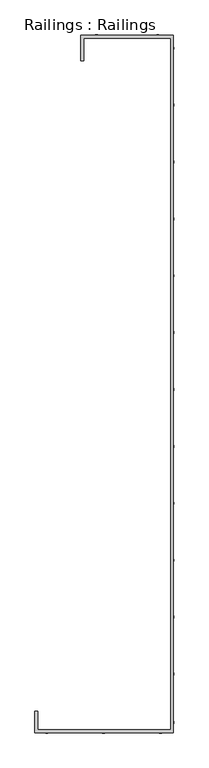
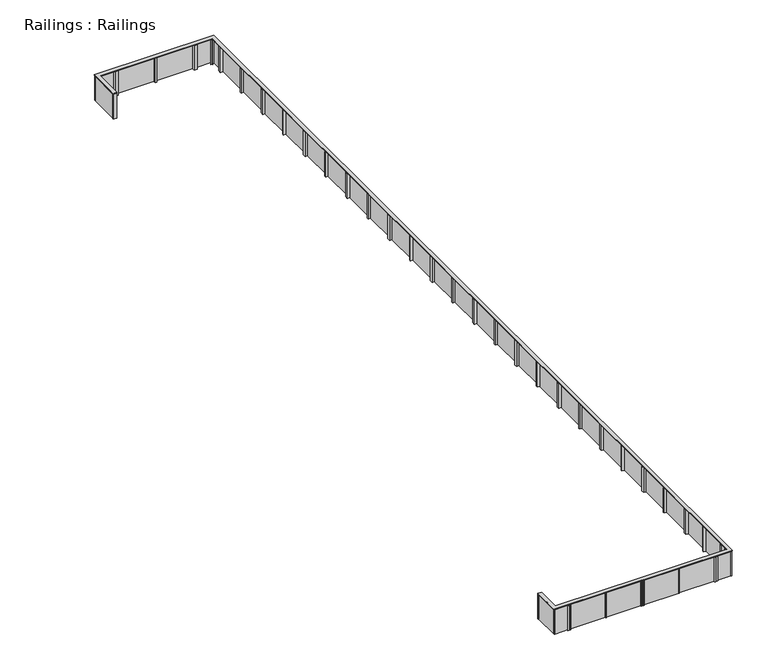
"""IFC4 building model written with IfcOpenShell, lengths in millimetres: railing geometry, Railings : Railings."""

from ifc_helpers import new_model, si_unit, origin, origin_with_axes, place, context, project, spatial, polyline, outline, extrude, faceted_brep, source, transform, mapped, element, save


def railings_railings_e3a58742(model_context):
    return source(origin(), model_context, "Body", "SolidModel", [
        faceted_brep([(13370.5600057, 1506.6975778, 1123.95), (13370.5600057, 1506.6975778, 1101.8081752), (13357.8600057, 1506.6975778, 1101.8081752), (13357.8600057, 1506.6975778, 1079.5), (13230.8600057, 1506.6975778, 1079.5), (13230.8600057, 1506.6975778, 1101.8081752), (13218.1600057, 1506.6975778, 1101.8081752), (13218.1600057, 1506.6975778, 1123.95), (13370.5600057, 509.7475795, 1123.95), (13370.5600057, 509.7475795, 1101.8081752), (20488.9100057, 509.7475795, 1101.8081752), (20488.9100057, 37574.6975795, 1101.8081752), (15827.3748271, 37574.6975795, 1101.8081752), (15827.3748271, 36361.8475795, 1101.8081752), (15814.6748271, 36361.8475795, 1101.8081752), (15814.6748271, 37587.3975795, 1101.8081752), (20501.6100057, 37587.3975795, 1101.8081752), (20501.6100057, 497.0475795, 1101.8081752), (13357.8600057, 497.0475795, 1101.8081752), (13357.8600057, 497.0475795, 1079.5), (20501.6100057, 497.0475795, 1079.5), (20501.6100057, 37587.3975795, 1079.5), (15814.6748271, 37587.3975795, 1079.5), (15814.6748271, 36361.8475795, 1079.5), (15687.6748271, 36361.8475795, 1079.5), (15687.6748271, 37714.3975795, 1079.5), (20628.6100057, 37714.3975795, 1079.5), (20628.6100057, 370.0475795, 1079.5), (13230.8600057, 370.0475795, 1079.5), (13230.8600057, 370.0475795, 1101.8081752), (20628.6100057, 370.0475795, 1101.8081752), (20628.6100057, 37714.3975795, 1101.8081752), (15687.6748271, 37714.3975795, 1101.8081752), (15687.6748271, 36361.8475795, 1101.8081752), (15674.9748271, 36361.8475795, 1101.8081752), (15674.9748271, 37727.0975795, 1101.8081752), (20641.3100057, 37727.0975795, 1101.8081752), (20641.3100057, 357.3475795, 1101.8081752), (13218.1600057, 357.3475795, 1101.8081752), (13218.1600057, 357.3475795, 1123.95), (20641.3100057, 357.3475795, 1123.95), (20641.3100057, 37727.0975795, 1123.95), (15674.9748271, 37727.0975795, 1123.95), (15674.9748271, 36361.8475795, 1123.95), (15827.3748271, 36361.8475795, 1123.95), (15827.3748271, 37574.6975795, 1123.95), (20488.9100057, 37574.6975795, 1123.95), (20488.9100057, 509.7475795, 1123.95)], [[[0, 1, 2, 3, 4, 5, 6, 7]], [[1, 0, 8, 9]], [[2, 1, 9, 10, 11, 12, 13, 14, 15, 16, 17, 18]], [[3, 2, 18, 19]], [[4, 3, 19, 20, 21, 22, 23, 24, 25, 26, 27, 28]], [[5, 4, 28, 29]], [[6, 5, 29, 30, 31, 32, 33, 34, 35, 36, 37, 38]], [[7, 6, 38, 39]], [[0, 7, 39, 40, 41, 42, 43, 44, 45, 46, 47, 8]], [[9, 8, 47, 10]], [[19, 18, 17, 20]], [[29, 28, 27, 30]], [[39, 38, 37, 40]], [[10, 47, 46, 11]], [[20, 17, 16, 21]], [[30, 27, 26, 31]], [[40, 37, 36, 41]], [[11, 46, 45, 12]], [[21, 16, 15, 22]], [[31, 26, 25, 32]], [[41, 36, 35, 42]], [[44, 43, 34, 33, 24, 23, 14, 13]], [[12, 45, 44, 13]], [[22, 15, 14, 23]], [[32, 25, 24, 33]], [[42, 35, 34, 43]]]),
        extrude(outline(polyline([(13268.9600035, 408.1475912), (13846.9370034, 408.1475912), (13846.9370034, 382.7475912), (13268.9600035, 382.7475912), (13268.9600035, 408.1475912)])), origin_with_axes(), (0.0, 0.0, 1.0), 1079.5),
        extrude(outline(polyline([(13243.1439674, 415.9061709), (13243.1439674, 1484.6224621), (13268.5439674, 1484.6224621), (13268.5439674, 415.9061709), (13243.1439674, 415.9061709)])), origin_with_axes(), (0.0, 0.0, 1.0), 1079.5),
        extrude(outline(polyline([(15367.6350034, 408.1475912), (15367.6350034, 382.7185916), (13865.9870034, 382.7185916), (13865.9870034, 408.1475912), (15367.6350034, 408.1475912)])), origin_with_axes(), (0.0, 0.0, 1.0), 1079.5),
        extrude(outline(polyline([(16891.6350034, 408.1475912), (16891.6350034, 382.7185916), (15386.6757867, 382.7185916), (15386.6757867, 408.1475912), (16891.6350034, 408.1475912)])), origin_with_axes(), (0.0, 0.0, 1.0), 1079.5),
        extrude(outline(polyline([(18415.6350034, 408.1475912), (18415.6350034, 382.7185916), (16910.6757867, 382.7185916), (16910.6757867, 408.1475912), (18415.6350034, 408.1475912)])), origin_with_axes(), (0.0, 0.0, 1.0), 1079.5),
        extrude(outline(polyline([(19936.3237867, 408.1475912), (19936.3237867, 382.7185916), (18434.6757867, 382.7185916), (18434.6757867, 408.1475912), (19936.3237867, 408.1475912)])), origin_with_axes(), (0.0, 0.0, 1.0), 1079.5),
        extrude(outline(polyline([(20587.8006006, 408.1475791), (20587.8006006, 382.7185916), (19958.6850034, 382.7185916), (19958.6850034, 408.1475791), (20587.8006006, 408.1475791)])), origin_with_axes(), (0.0, 0.0, 1.0), 1079.5),
        extrude(outline(polyline([(20614.873546, 904.8749109), (20614.873546, 417.9822073), (20589.8766379, 417.9822073), (20589.8766379, 904.8749109), (20614.873546, 904.8749109)])), origin_with_axes(), (0.0, 0.0, 1.0), 1079.5),
        extrude(outline(polyline([(20589.9055782, 923.9249109), (20589.9055782, 2200.2749756), (20615.2766379, 2200.2749756), (20615.2766379, 923.9249109), (20589.9055782, 923.9249109)])), origin_with_axes(), (0.0, 0.0, 1.0), 1079.5),
        extrude(outline(polyline([(20615.2766379, 2219.3249756), (20589.9055782, 2219.3249756), (20589.9055782, 3495.6603269), (20615.2766379, 3495.6603269), (20615.2766379, 2219.3249756)])), origin_with_axes(), (0.0, 0.0, 1.0), 1079.5),
        extrude(outline(polyline([(20589.9055782, 3514.7103269), (20589.9055782, 5019.6603898), (20615.2766379, 5019.6603898), (20615.2766379, 3514.7103269), (20589.9055782, 3514.7103269)])), origin_with_axes(), (0.0, 0.0, 1.0), 1079.5),
        extrude(outline(polyline([(20615.2766379, 5038.7103898), (20589.9055782, 5038.7103898), (20589.9055782, 6543.6603269), (20615.2766379, 6543.6603269), (20615.2766379, 5038.7103898)])), origin_with_axes(), (0.0, 0.0, 1.0), 1079.5),
        extrude(outline(polyline([(20589.9055782, 6562.7103269), (20589.9055782, 8067.6603898), (20615.2766379, 8067.6603898), (20615.2766379, 6562.7103269), (20589.9055782, 6562.7103269)])), origin_with_axes(), (0.0, 0.0, 1.0), 1079.5),
        extrude(outline(polyline([(20615.2766379, 8086.7103898), (20589.9055782, 8086.7103898), (20589.9055782, 9591.6603269), (20615.2766379, 9591.6603269), (20615.2766379, 8086.7103898)])), origin_with_axes(), (0.0, 0.0, 1.0), 1079.5),
        extrude(outline(polyline([(20589.9055782, 9610.7103269), (20589.9055782, 11115.6603898), (20615.2766379, 11115.6603898), (20615.2766379, 9610.7103269), (20589.9055782, 9610.7103269)])), origin_with_axes(), (0.0, 0.0, 1.0), 1079.5),
        extrude(outline(polyline([(20615.2766379, 11134.7103898), (20589.9055782, 11134.7103898), (20589.9055782, 12639.6603269), (20615.2766379, 12639.6603269), (20615.2766379, 11134.7103898)])), origin_with_axes(), (0.0, 0.0, 1.0), 1079.5),
        extrude(outline(polyline([(20589.9055782, 12658.7103269), (20589.9055782, 14163.6603898), (20615.2766379, 14163.6603898), (20615.2766379, 12658.7103269), (20589.9055782, 12658.7103269)])), origin_with_axes(), (0.0, 0.0, 1.0), 1079.5),
        extrude(outline(polyline([(20615.2766379, 14182.7103898), (20589.9055782, 14182.7103898), (20589.9055782, 15687.6603269), (20615.2766379, 15687.6603269), (20615.2766379, 14182.7103898)])), origin_with_axes(), (0.0, 0.0, 1.0), 1079.5),
        extrude(outline(polyline([(20589.9055782, 15706.7103269), (20589.9055782, 17211.6603898), (20615.2766379, 17211.6603898), (20615.2766379, 15706.7103269), (20589.9055782, 15706.7103269)])), origin_with_axes(), (0.0, 0.0, 1.0), 1079.5),
        extrude(outline(polyline([(20615.2766379, 17230.7103898), (20589.9055782, 17230.7103898), (20589.9055782, 18735.6603269), (20615.2766379, 18735.6603269), (20615.2766379, 17230.7103898)])), origin_with_axes(), (0.0, 0.0, 1.0), 1079.5),
        extrude(outline(polyline([(20589.9055782, 18754.7103269), (20589.9055782, 20259.6603898), (20615.2766379, 20259.6603898), (20615.2766379, 18754.7103269), (20589.9055782, 18754.7103269)])), origin_with_axes(), (0.0, 0.0, 1.0), 1079.5),
        extrude(outline(polyline([(20615.2766379, 20278.7103898), (20589.9055782, 20278.7103898), (20589.9055782, 21783.6603269), (20615.2766379, 21783.6603269), (20615.2766379, 20278.7103898)])), origin_with_axes(), (0.0, 0.0, 1.0), 1079.5),
        extrude(outline(polyline([(20589.9055782, 21802.7103269), (20589.9055782, 23307.6603898), (20615.2766379, 23307.6603898), (20615.2766379, 21802.7103269), (20589.9055782, 21802.7103269)])), origin_with_axes(), (0.0, 0.0, 1.0), 1079.5),
        extrude(outline(polyline([(20615.2766379, 23326.7103898), (20589.9055782, 23326.7103898), (20589.9055782, 24831.6603269), (20615.2766379, 24831.6603269), (20615.2766379, 23326.7103898)])), origin_with_axes(), (0.0, 0.0, 1.0), 1079.5),
        extrude(outline(polyline([(20589.9055782, 24850.7103269), (20589.9055782, 26355.6603898), (20615.2766379, 26355.6603898), (20615.2766379, 24850.7103269), (20589.9055782, 24850.7103269)])), origin_with_axes(), (0.0, 0.0, 1.0), 1079.5),
        extrude(outline(polyline([(20615.2766379, 26374.7103898), (20589.9055782, 26374.7103898), (20589.9055782, 27879.6603269), (20615.2766379, 27879.6603269), (20615.2766379, 26374.7103898)])), origin_with_axes(), (0.0, 0.0, 1.0), 1079.5),
        extrude(outline(polyline([(20589.9055782, 27898.7103269), (20589.9055782, 29403.6603898), (20615.2766379, 29403.6603898), (20615.2766379, 27898.7103269), (20589.9055782, 27898.7103269)])), origin_with_axes(), (0.0, 0.0, 1.0), 1079.5),
        extrude(outline(polyline([(20615.2766379, 29422.7103898), (20589.9055782, 29422.7103898), (20589.9055782, 30927.6603269), (20615.2766379, 30927.6603269), (20615.2766379, 29422.7103898)])), origin_with_axes(), (0.0, 0.0, 1.0), 1079.5),
        extrude(outline(polyline([(20589.9055782, 30946.7103269), (20589.9055782, 32451.6603898), (20615.2766379, 32451.6603898), (20615.2766379, 30946.7103269), (20589.9055782, 30946.7103269)])), origin_with_axes(), (0.0, 0.0, 1.0), 1079.5),
        extrude(outline(polyline([(20615.2766379, 32470.7103898), (20589.9055782, 32470.7103898), (20589.9055782, 33975.6603257), (20615.2766379, 33975.6603257), (20615.2766379, 32470.7103898)])), origin_with_axes(), (0.0, 0.0, 1.0), 1079.5),
        extrude(outline(polyline([(20589.9055782, 33994.7103257), (20589.9055782, 35499.6603886), (20615.2766379, 35499.6603886), (20615.2766379, 33994.7103257), (20589.9055782, 33994.7103257)])), origin_with_axes(), (0.0, 0.0, 1.0), 1079.5),
        extrude(outline(polyline([(20615.2766379, 35518.7103886), (20589.9055782, 35518.7103886), (20589.9055782, 37023.6603257), (20615.2766379, 37023.6603257), (20615.2766379, 35518.7103886)])), origin_with_axes(), (0.0, 0.0, 1.0), 1079.5),
        extrude(outline(polyline([(20590.7062358, 37042.7103257), (20590.7062358, 37667.1356839), (20615.2766379, 37667.1356839), (20615.2766379, 37042.7103257), (20590.7062358, 37042.7103257)])), origin_with_axes(), (0.0, 0.0, 1.0), 1079.5),
        extrude(outline(polyline([(20590.7062358, 37700.3660966), (20590.7062358, 37675.7359389), (19809.4455502, 37675.7359389), (19809.4455502, 37700.3660966), (20590.7062358, 37700.3660966)])), origin_with_axes(), (0.0, 0.0, 1.0), 1079.5),
        extrude(outline(polyline([(18169.2405294, 37700.3660966), (19790.3955502, 37700.3660966), (19790.3955502, 37674.9950369), (18169.2405294, 37674.9950369), (18169.2405294, 37700.3660966)])), origin_with_axes(), (0.0, 0.0, 1.0), 1079.5),
        extrude(outline(polyline([(16529.0500562, 37674.9950369), (16529.0500562, 37700.3660966), (18150.1905294, 37700.3660966), (18150.1905294, 37674.9950369), (16529.0500562, 37674.9950369)])), origin_with_axes(), (0.0, 0.0, 1.0), 1079.5),
        extrude(outline(polyline([(15724.977162, 37700.3660966), (16510.0000562, 37700.3660966), (16510.0000562, 37678.2067438), (15724.977162, 37678.2067438), (15724.977162, 37700.3660966)])), origin_with_axes(), (0.0, 0.0, 1.0), 1079.5),
        extrude(outline(polyline([(15725.775, 37668.7752071), (15725.775, 36383.0781763), (15697.9042165, 36383.0781763), (15697.9042165, 37668.7752071), (15725.775, 37668.7752071)])), origin_with_axes(), (0.0, 0.0, 1.0), 1079.5),
        extrude(outline(polyline([(13370.5600057, 1443.1975778), (13268.9600063, 1443.1975778), (13268.9600063, 1484.4725769), (13218.1600059, 1484.4725769), (13218.1600059, 1506.6975778), (13370.5600057, 1506.6975778), (13370.5600057, 1443.1975778)])), origin_with_axes(), (0.0, 0.0, 1.0), 1079.5),
        extrude(outline(polyline([(13370.5600034, 509.7475795), (13424.4415401, 509.7475795), (13321.1685948, 406.4746341), (13268.9600035, 406.4746341), (13268.9600035, 371.4561709), (13241.887058, 371.4561709), (13241.887058, 415.9061709), (13267.287058, 415.9061709), (13267.287058, 460.3561709), (13370.5600034, 563.6291163), (13370.5600034, 509.7475795)])), origin_with_axes(), (0.0, 0.0, 1.0), 1079.5),
        extrude(outline(polyline([(13789.6600662, 338.2974734), (13789.6600662, 382.7475912), (13843.6350034, 382.7475912), (13843.6350034, 408.1475791), (13789.6600034, 408.1475791), (13789.6600034, 509.7475791), (13916.3568587, 509.7475791), (13916.3568587, 408.1475791), (13862.2485804, 408.1475791), (13862.2485804, 382.7475912), (13916.6600662, 382.7475912), (13916.6600662, 338.2974734), (13865.8600662, 338.2974734), (13865.8600662, 350.9974734), (13840.4600662, 350.9974734), (13840.4600662, 338.2974734), (13789.6600662, 338.2974734)])), origin_with_axes(), (0.0, 0.0, 1.0), 1079.5),
        extrude(outline(polyline([(15408.9100034, 509.7475791), (15408.9100034, 408.1185916), (15386.6850034, 408.1185916), (15386.6850034, 357.3185916), (15367.6350034, 357.3185916), (15367.6350034, 408.1185916), (15345.4100034, 408.1185916), (15345.4100034, 509.7475791), (15408.9100034, 509.7475791)])), origin_with_axes(), (0.0, 0.0, 1.0), 1079.5),
        extrude(outline(polyline([(16964.6600034, 509.7475791), (16964.6600034, 408.1475791), (16910.6850034, 408.1475791), (16910.6850034, 382.7475791), (16964.6600034, 382.7475791), (16964.6600034, 338.2974748), (16913.8600663, 338.2974748), (16913.8600663, 350.9974748), (16888.4600663, 350.9974748), (16888.4600663, 338.2974748), (16837.6600663, 338.2974748), (16837.6600663, 382.7475791), (16891.6350034, 382.7475791), (16891.6350034, 408.1475791), (16837.6600663, 408.1475791), (16837.6600663, 509.7475791), (16964.6600034, 509.7475791)])), origin_with_axes(), (0.0, 0.0, 1.0), 1079.5),
        extrude(outline(polyline([(18456.9100034, 509.7475791), (18456.9100034, 408.1185916), (18434.6850034, 408.1185916), (18434.6850034, 357.3185916), (18415.6350034, 357.3185916), (18415.6350034, 408.1185916), (18393.4100034, 408.1185916), (18393.4100034, 509.7475791), (18456.9100034, 509.7475791)])), origin_with_axes(), (0.0, 0.0, 1.0), 1079.5),
        extrude(outline(polyline([(20012.6600034, 509.7475791), (20012.6600034, 408.1475791), (19958.6850034, 408.1475791), (19958.6850034, 382.7475791), (20012.6600034, 382.7475791), (20012.6600034, 338.2974748), (19961.8600663, 338.2974748), (19961.8600663, 350.9974748), (19936.4600663, 350.9974748), (19936.4600663, 338.2974748), (19885.6600663, 338.2974748), (19885.6600663, 382.7475791), (19939.6350034, 382.7475791), (19939.6350034, 408.1475791), (19885.6600663, 408.1475791), (19885.6600663, 509.7475791), (20012.6600034, 509.7475791)])), origin_with_axes(), (0.0, 0.0, 1.0), 1079.5),
        extrude(outline(polyline([(20488.2765907, 2241.5499756), (20589.9055782, 2241.5499756), (20589.9055782, 2219.3249756), (20640.7055782, 2219.3249756), (20640.7055782, 2200.2749756), (20589.9055782, 2200.2749756), (20589.9055782, 2178.0499756), (20488.2765907, 2178.0499756), (20488.2765907, 2241.5499756)])), origin_with_axes(), (0.0, 0.0, 1.0), 1079.5),
        extrude(outline(polyline([(20488.2766379, 977.8999109), (20589.8766379, 977.8999109), (20589.8766379, 923.9249109), (20615.2766379, 923.9249109), (20615.2766379, 977.8999109), (20659.7267421, 977.8999109), (20659.7267421, 927.0999738), (20647.0267421, 927.0999738), (20647.0267421, 901.6999738), (20659.7267421, 901.6999738), (20659.7267421, 850.8999738), (20615.2766379, 850.8999738), (20615.2766379, 904.8749109), (20589.8766379, 904.8749109), (20589.8766379, 850.8999738), (20488.2766379, 850.8999738), (20488.2766379, 977.8999109)])), origin_with_axes(), (0.0, 0.0, 1.0), 1079.5),
        extrude(outline(polyline([(20486.2006006, 511.823616), (20486.2006006, 565.7051527), (20589.473546, 462.4322073), (20589.473546, 417.9822073), (20614.873546, 417.9822073), (20614.873546, 373.5322073), (20587.8006006, 373.5322073), (20587.8006006, 408.5506706), (20535.5920093, 408.5506706), (20432.3190639, 511.823616), (20486.2006006, 511.823616)])), origin_with_axes(), (0.0, 0.0, 1.0), 1079.5),
        extrude(outline(polyline([(20488.2765907, 5060.9353898), (20589.9055782, 5060.9353898), (20589.9055782, 5038.7103898), (20640.7055782, 5038.7103898), (20640.7055782, 5019.6603898), (20589.9055782, 5019.6603898), (20589.9055782, 4997.4353898), (20488.2765907, 4997.4353898), (20488.2765907, 5060.9353898)])), origin_with_axes(), (0.0, 0.0, 1.0), 1079.5),
        extrude(outline(polyline([(20488.2766379, 3568.6853269), (20589.8766379, 3568.6853269), (20589.8766379, 3514.7103269), (20615.2766379, 3514.7103269), (20615.2766379, 3568.6853269), (20659.7267421, 3568.6853269), (20659.7267421, 3517.8853898), (20647.0267421, 3517.8853898), (20647.0267421, 3492.4853898), (20659.7267421, 3492.4853898), (20659.7267421, 3441.6853898), (20615.2766379, 3441.6853898), (20615.2766379, 3495.6603269), (20589.8766379, 3495.6603269), (20589.8766379, 3441.6853898), (20488.2766379, 3441.6853898), (20488.2766379, 3568.6853269)])), origin_with_axes(), (0.0, 0.0, 1.0), 1079.5),
        extrude(outline(polyline([(20488.2765907, 8108.9353898), (20589.9055782, 8108.9353898), (20589.9055782, 8086.7103898), (20640.7055782, 8086.7103898), (20640.7055782, 8067.6603898), (20589.9055782, 8067.6603898), (20589.9055782, 8045.4353898), (20488.2765907, 8045.4353898), (20488.2765907, 8108.9353898)])), origin_with_axes(), (0.0, 0.0, 1.0), 1079.5),
        extrude(outline(polyline([(20488.2766379, 6616.6853269), (20589.8766379, 6616.6853269), (20589.8766379, 6562.7103269), (20615.2766379, 6562.7103269), (20615.2766379, 6616.6853269), (20659.7267421, 6616.6853269), (20659.7267421, 6565.8853898), (20647.0267421, 6565.8853898), (20647.0267421, 6540.4853898), (20659.7267421, 6540.4853898), (20659.7267421, 6489.6853898), (20615.2766379, 6489.6853898), (20615.2766379, 6543.6603269), (20589.8766379, 6543.6603269), (20589.8766379, 6489.6853898), (20488.2766379, 6489.6853898), (20488.2766379, 6616.6853269)])), origin_with_axes(), (0.0, 0.0, 1.0), 1079.5),
        extrude(outline(polyline([(20488.2765907, 11156.9353898), (20589.9055782, 11156.9353898), (20589.9055782, 11134.7103898), (20640.7055782, 11134.7103898), (20640.7055782, 11115.6603898), (20589.9055782, 11115.6603898), (20589.9055782, 11093.4353898), (20488.2765907, 11093.4353898), (20488.2765907, 11156.9353898)])), origin_with_axes(), (0.0, 0.0, 1.0), 1079.5),
        extrude(outline(polyline([(20488.2766379, 9664.6853269), (20589.8766379, 9664.6853269), (20589.8766379, 9610.7103269), (20615.2766379, 9610.7103269), (20615.2766379, 9664.6853269), (20659.7267421, 9664.6853269), (20659.7267421, 9613.8853898), (20647.0267421, 9613.8853898), (20647.0267421, 9588.4853898), (20659.7267421, 9588.4853898), (20659.7267421, 9537.6853898), (20615.2766379, 9537.6853898), (20615.2766379, 9591.6603269), (20589.8766379, 9591.6603269), (20589.8766379, 9537.6853898), (20488.2766379, 9537.6853898), (20488.2766379, 9664.6853269)])), origin_with_axes(), (0.0, 0.0, 1.0), 1079.5),
        extrude(outline(polyline([(20488.2765907, 14204.9353898), (20589.9055782, 14204.9353898), (20589.9055782, 14182.7103898), (20640.7055782, 14182.7103898), (20640.7055782, 14163.6603898), (20589.9055782, 14163.6603898), (20589.9055782, 14141.4353898), (20488.2765907, 14141.4353898), (20488.2765907, 14204.9353898)])), origin_with_axes(), (0.0, 0.0, 1.0), 1079.5),
        extrude(outline(polyline([(20488.2766379, 12712.6853269), (20589.8766379, 12712.6853269), (20589.8766379, 12658.7103269), (20615.2766379, 12658.7103269), (20615.2766379, 12712.6853269), (20659.7267421, 12712.6853269), (20659.7267421, 12661.8853898), (20647.0267421, 12661.8853898), (20647.0267421, 12636.4853898), (20659.7267421, 12636.4853898), (20659.7267421, 12585.6853898), (20615.2766379, 12585.6853898), (20615.2766379, 12639.6603269), (20589.8766379, 12639.6603269), (20589.8766379, 12585.6853898), (20488.2766379, 12585.6853898), (20488.2766379, 12712.6853269)])), origin_with_axes(), (0.0, 0.0, 1.0), 1079.5),
        extrude(outline(polyline([(20488.2765907, 17252.9353898), (20589.9055782, 17252.9353898), (20589.9055782, 17230.7103898), (20640.7055782, 17230.7103898), (20640.7055782, 17211.6603898), (20589.9055782, 17211.6603898), (20589.9055782, 17189.4353898), (20488.2765907, 17189.4353898), (20488.2765907, 17252.9353898)])), origin_with_axes(), (0.0, 0.0, 1.0), 1079.5),
        extrude(outline(polyline([(20488.2766379, 15760.6853269), (20589.8766379, 15760.6853269), (20589.8766379, 15706.7103269), (20615.2766379, 15706.7103269), (20615.2766379, 15760.6853269), (20659.7267421, 15760.6853269), (20659.7267421, 15709.8853898), (20647.0267421, 15709.8853898), (20647.0267421, 15684.4853898), (20659.7267421, 15684.4853898), (20659.7267421, 15633.6853898), (20615.2766379, 15633.6853898), (20615.2766379, 15687.6603269), (20589.8766379, 15687.6603269), (20589.8766379, 15633.6853898), (20488.2766379, 15633.6853898), (20488.2766379, 15760.6853269)])), origin_with_axes(), (0.0, 0.0, 1.0), 1079.5),
        extrude(outline(polyline([(20488.2765907, 20300.9353898), (20589.9055782, 20300.9353898), (20589.9055782, 20278.7103898), (20640.7055782, 20278.7103898), (20640.7055782, 20259.6603898), (20589.9055782, 20259.6603898), (20589.9055782, 20237.4353898), (20488.2765907, 20237.4353898), (20488.2765907, 20300.9353898)])), origin_with_axes(), (0.0, 0.0, 1.0), 1079.5),
        extrude(outline(polyline([(20488.2766379, 18808.6853269), (20589.8766379, 18808.6853269), (20589.8766379, 18754.7103269), (20615.2766379, 18754.7103269), (20615.2766379, 18808.6853269), (20659.7267421, 18808.6853269), (20659.7267421, 18757.8853898), (20647.0267421, 18757.8853898), (20647.0267421, 18732.4853898), (20659.7267421, 18732.4853898), (20659.7267421, 18681.6853898), (20615.2766379, 18681.6853898), (20615.2766379, 18735.6603269), (20589.8766379, 18735.6603269), (20589.8766379, 18681.6853898), (20488.2766379, 18681.6853898), (20488.2766379, 18808.6853269)])), origin_with_axes(), (0.0, 0.0, 1.0), 1079.5),
        extrude(outline(polyline([(20488.2765907, 23348.9353898), (20589.9055782, 23348.9353898), (20589.9055782, 23326.7103898), (20640.7055782, 23326.7103898), (20640.7055782, 23307.6603898), (20589.9055782, 23307.6603898), (20589.9055782, 23285.4353898), (20488.2765907, 23285.4353898), (20488.2765907, 23348.9353898)])), origin_with_axes(), (0.0, 0.0, 1.0), 1079.5),
        extrude(outline(polyline([(20488.2766379, 21856.6853269), (20589.8766379, 21856.6853269), (20589.8766379, 21802.7103269), (20615.2766379, 21802.7103269), (20615.2766379, 21856.6853269), (20659.7267421, 21856.6853269), (20659.7267421, 21805.8853898), (20647.0267421, 21805.8853898), (20647.0267421, 21780.4853898), (20659.7267421, 21780.4853898), (20659.7267421, 21729.6853898), (20615.2766379, 21729.6853898), (20615.2766379, 21783.6603269), (20589.8766379, 21783.6603269), (20589.8766379, 21729.6853898), (20488.2766379, 21729.6853898), (20488.2766379, 21856.6853269)])), origin_with_axes(), (0.0, 0.0, 1.0), 1079.5),
        extrude(outline(polyline([(20488.2765907, 26396.9353898), (20589.9055782, 26396.9353898), (20589.9055782, 26374.7103898), (20640.7055782, 26374.7103898), (20640.7055782, 26355.6603898), (20589.9055782, 26355.6603898), (20589.9055782, 26333.4353898), (20488.2765907, 26333.4353898), (20488.2765907, 26396.9353898)])), origin_with_axes(), (0.0, 0.0, 1.0), 1079.5),
        extrude(outline(polyline([(20488.2766379, 24904.6853269), (20589.8766379, 24904.6853269), (20589.8766379, 24850.7103269), (20615.2766379, 24850.7103269), (20615.2766379, 24904.6853269), (20659.7267421, 24904.6853269), (20659.7267421, 24853.8853898), (20647.0267421, 24853.8853898), (20647.0267421, 24828.4853898), (20659.7267421, 24828.4853898), (20659.7267421, 24777.6853898), (20615.2766379, 24777.6853898), (20615.2766379, 24831.6603269), (20589.8766379, 24831.6603269), (20589.8766379, 24777.6853898), (20488.2766379, 24777.6853898), (20488.2766379, 24904.6853269)])), origin_with_axes(), (0.0, 0.0, 1.0), 1079.5),
        extrude(outline(polyline([(20488.2765907, 29444.9353898), (20589.9055782, 29444.9353898), (20589.9055782, 29422.7103898), (20640.7055782, 29422.7103898), (20640.7055782, 29403.6603898), (20589.9055782, 29403.6603898), (20589.9055782, 29381.4353898), (20488.2765907, 29381.4353898), (20488.2765907, 29444.9353898)])), origin_with_axes(), (0.0, 0.0, 1.0), 1079.5),
        extrude(outline(polyline([(20488.2766379, 27952.6853269), (20589.8766379, 27952.6853269), (20589.8766379, 27898.7103269), (20615.2766379, 27898.7103269), (20615.2766379, 27952.6853269), (20659.7267421, 27952.6853269), (20659.7267421, 27901.8853898), (20647.0267421, 27901.8853898), (20647.0267421, 27876.4853898), (20659.7267421, 27876.4853898), (20659.7267421, 27825.6853898), (20615.2766379, 27825.6853898), (20615.2766379, 27879.6603269), (20589.8766379, 27879.6603269), (20589.8766379, 27825.6853898), (20488.2766379, 27825.6853898), (20488.2766379, 27952.6853269)])), origin_with_axes(), (0.0, 0.0, 1.0), 1079.5),
        extrude(outline(polyline([(20488.2765907, 32492.9353898), (20589.9055782, 32492.9353898), (20589.9055782, 32470.7103898), (20640.7055782, 32470.7103898), (20640.7055782, 32451.6603898), (20589.9055782, 32451.6603898), (20589.9055782, 32429.4353898), (20488.2765907, 32429.4353898), (20488.2765907, 32492.9353898)])), origin_with_axes(), (0.0, 0.0, 1.0), 1079.5),
        extrude(outline(polyline([(20488.2766379, 31000.6853269), (20589.8766379, 31000.6853269), (20589.8766379, 30946.7103269), (20615.2766379, 30946.7103269), (20615.2766379, 31000.6853269), (20659.7267421, 31000.6853269), (20659.7267421, 30949.8853898), (20647.0267421, 30949.8853898), (20647.0267421, 30924.4853898), (20659.7267421, 30924.4853898), (20659.7267421, 30873.6853898), (20615.2766379, 30873.6853898), (20615.2766379, 30927.6603269), (20589.8766379, 30927.6603269), (20589.8766379, 30873.6853898), (20488.2766379, 30873.6853898), (20488.2766379, 31000.6853269)])), origin_with_axes(), (0.0, 0.0, 1.0), 1079.5),
        extrude(outline(polyline([(20488.2765907, 35540.9353886), (20589.9055782, 35540.9353886), (20589.9055782, 35518.7103886), (20640.7055782, 35518.7103886), (20640.7055782, 35499.6603886), (20589.9055782, 35499.6603886), (20589.9055782, 35477.4353886), (20488.2765907, 35477.4353886), (20488.2765907, 35540.9353886)])), origin_with_axes(), (0.0, 0.0, 1.0), 1079.5),
        extrude(outline(polyline([(20488.2766379, 34048.6853257), (20589.8766379, 34048.6853257), (20589.8766379, 33994.7103257), (20615.2766379, 33994.7103257), (20615.2766379, 34048.6853257), (20659.7267421, 34048.6853257), (20659.7267421, 33997.8853886), (20647.0267421, 33997.8853886), (20647.0267421, 33972.4853886), (20659.7267421, 33972.4853886), (20659.7267421, 33921.6853886), (20615.2766379, 33921.6853886), (20615.2766379, 33975.6603257), (20589.8766379, 33975.6603257), (20589.8766379, 33921.6853886), (20488.2766379, 33921.6853886), (20488.2766379, 34048.6853257)])), origin_with_axes(), (0.0, 0.0, 1.0), 1079.5),
        extrude(outline(polyline([(20488.2766379, 37096.6853257), (20589.8766379, 37096.6853257), (20589.8766379, 37042.7103257), (20615.2766379, 37042.7103257), (20615.2766379, 37096.6853257), (20659.7267421, 37096.6853257), (20659.7267421, 37045.8853886), (20647.0267421, 37045.8853886), (20647.0267421, 37020.4853886), (20659.7267421, 37020.4853886), (20659.7267421, 36969.6853886), (20615.2766379, 36969.6853886), (20615.2766379, 37023.6603257), (20589.8766379, 37023.6603257), (20589.8766379, 36969.6853886), (20488.2766379, 36969.6853886), (20488.2766379, 37096.6853257)])), origin_with_axes(), (0.0, 0.0, 1.0), 1079.5),
        extrude(outline(polyline([(18127.9655294, 37573.3660495), (18127.9655294, 37674.9950369), (18150.1905294, 37674.9950369), (18150.1905294, 37725.7950369), (18169.2405294, 37725.7950369), (18169.2405294, 37674.9950369), (18191.4655294, 37674.9950369), (18191.4655294, 37573.3660495), (18127.9655294, 37573.3660495)])), origin_with_axes(), (0.0, 0.0, 1.0), 1079.5),
        extrude(outline(polyline([(19736.4205502, 37573.3660966), (19736.4205502, 37674.9660966), (19790.3955502, 37674.9660966), (19790.3955502, 37700.3660966), (19736.4205502, 37700.3660966), (19736.4205502, 37744.8162008), (19787.2204873, 37744.8162008), (19787.2204873, 37732.1162008), (19812.6204873, 37732.1162008), (19812.6204873, 37744.8162008), (19863.4204873, 37744.8162008), (19863.4204873, 37700.3660966), (19809.4455502, 37700.3660966), (19809.4455502, 37674.9660966), (19863.4204873, 37674.9660966), (19863.4204873, 37573.3660966), (19736.4205502, 37573.3660966)])), origin_with_axes(), (0.0, 0.0, 1.0), 1079.5),
        extrude(outline(polyline([(16456.0250562, 37573.3660966), (16456.0250562, 37674.9660966), (16510.0000562, 37674.9660966), (16510.0000562, 37700.3660966), (16456.0250562, 37700.3660966), (16456.0250562, 37744.8162008), (16506.8249933, 37744.8162008), (16506.8249933, 37732.1162008), (16532.2249933, 37732.1162008), (16532.2249933, 37744.8162008), (16583.0249933, 37744.8162008), (16583.0249933, 37700.3660966), (16529.0500562, 37700.3660966), (16529.0500562, 37674.9660966), (16583.0249933, 37674.9660966), (16583.0249933, 37573.3660966), (16456.0250562, 37573.3660966)])), origin_with_axes(), (0.0, 0.0, 1.0), 1079.5),
        extrude(outline(polyline([(20487.4332904, 37573.2942752), (20433.5517537, 37573.2942752), (20536.824699, 37676.5672206), (20589.0332904, 37676.5672206), (20589.0332904, 37711.5856839), (20616.1062358, 37711.5856839), (20616.1062358, 37667.1356839), (20590.7062358, 37667.1356839), (20590.7062358, 37622.6856839), (20487.4332904, 37519.4127385), (20487.4332904, 37573.2942752)])), origin_with_axes(), (0.0, 0.0, 1.0), 1079.5),
        extrude(outline(polyline([(15826.577162, 37574.9337984), (15826.577162, 37521.0522617), (15723.3042165, 37624.3252071), (15723.3042165, 37668.7752071), (15697.9042165, 37668.7752071), (15697.9042165, 37713.2252071), (15724.977162, 37713.2252071), (15724.977162, 37678.2067438), (15777.1857533, 37678.2067438), (15880.4586987, 37574.9337984), (15826.577162, 37574.9337984)])), origin_with_axes(), (0.0, 0.0, 1.0), 1079.5),
        extrude(outline(polyline([(15827.375, 36360.8531763), (15674.975, 36360.8531763), (15674.975, 36383.0781763), (15725.775, 36383.0781763), (15725.775, 36424.3531763), (15827.375, 36424.3531763), (15827.375, 36360.8531763)])), origin_with_axes(), (0.0, 0.0, 1.0), 1079.5),
    ])


if __name__ == "__main__":
    model = new_model("IFC4")
    model_context = context("Model", 3, world=origin())
    ifc_project = project(units=[si_unit("LENGTHUNIT", "METRE", prefix="MILLI")], contexts=[model_context])
    site = spatial("IfcSite", under=ifc_project)
    building = spatial("IfcBuilding", under=site)
    placement = place(None, origin())
    railings_railings_shape = railings_railings_e3a58742(model_context)
    element("IfcRailing", 1, ObjectType="Railings : Railings", at=placement, inside=building, context=model_context, shape_type="MappedRepresentation", body=[
        mapped(railings_railings_shape, transform((0.0, 0.0, 0.0), x_axis=(1.0, 0.0, 0.0), y_axis=(0.0, 1.0, 0.0), z_axis=(0.0, 0.0, 1.0))),
    ])
    save(model, "model.ifc")
